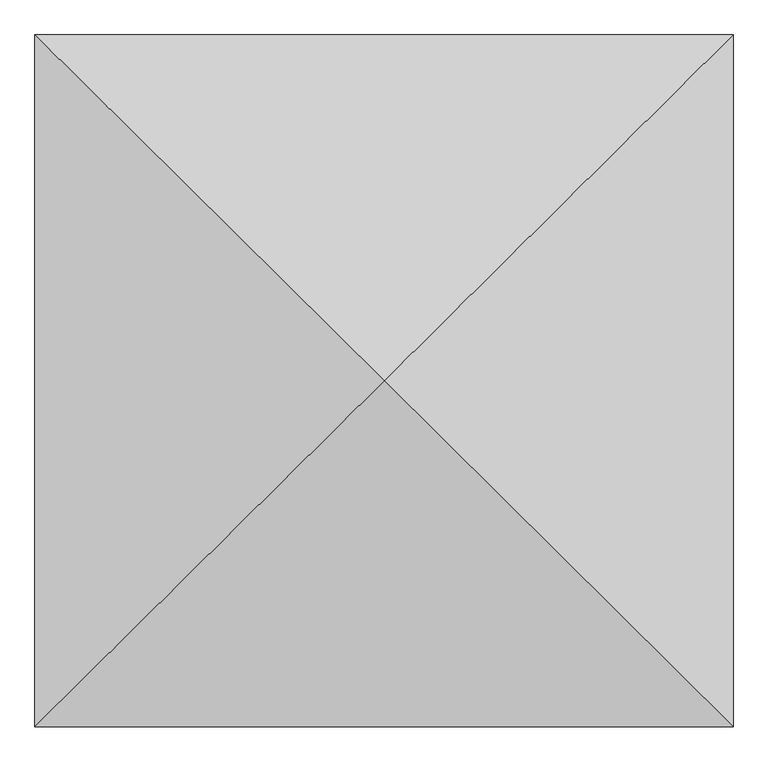
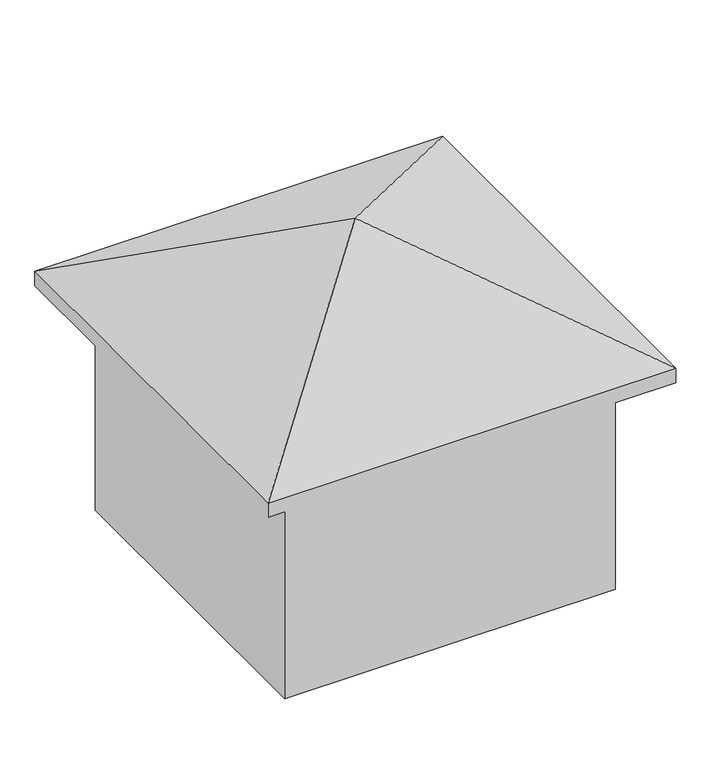
"""IFC4 building model written with IfcOpenShell, lengths in millimetres: geographic element geometry."""

from ifc_helpers import new_model, si_unit, origin, place, context, project, spatial, triangles, source, transform, mapped, element, save


def geographic_element_c013a7da(model_context):
    return source(origin(), model_context, "Body", "Tessellation", [
        triangles([(3213.9125473, 3185.7200821, 5526.4336029), (0.0, 6371.4401642, 3833.4506035), (0.0, 0.0, 3833.4506035), (6427.8250946, 6371.4401642, 3833.4506035), (6427.8250946, 0.0, 3833.4506035), (6427.8250946, 6371.4401642, 3594.7922058), (0.0, 0.0, 3594.7922058), (0.0, 6371.4401642, 3594.7922058), (6427.8250946, 0.0, 3594.7922058), (5823.2236267, 5772.1424423, 0.0), (604.6012862, 599.2977582, 0.0), (604.6012862, 5772.1424423, 0.0), (5823.2236267, 599.2977582, 0.0), (5823.2236267, 599.2977582, 3833.4506035), (604.6012862, 599.2977582, 3833.4506035), (5823.2236267, 5772.1424423, 3833.4506035), (604.6012862, 5772.1424423, 3833.4506035)], [[1, 2, 3], [4, 2, 1], [5, 1, 3], [4, 1, 5], [6, 7, 8], [7, 6, 9], [2, 7, 3], [7, 2, 8], [2, 6, 8], [6, 2, 4], [6, 5, 9], [5, 6, 4], [5, 7, 9], [7, 5, 3], [10, 11, 12], [11, 10, 13], [14, 11, 13], [11, 14, 15], [10, 14, 13], [14, 10, 16], [17, 10, 12], [10, 17, 16], [17, 11, 15], [11, 17, 12], [14, 17, 15], [17, 14, 16]]),
    ])


if __name__ == "__main__":
    model = new_model("IFC4")
    model_context = context("Model", 3, world=origin())
    ifc_project = project(units=[si_unit("LENGTHUNIT", "METRE", prefix="MILLI")], contexts=[model_context])
    site = spatial("IfcSite", under=ifc_project)
    building = spatial("IfcBuilding", under=site)
    placement = place(None, origin())
    geographic_element_shape = geographic_element_c013a7da(model_context)
    element("IfcGeographicElement", 1, at=placement, inside=building, context=model_context, shape_type="MappedRepresentation", body=[
        mapped(geographic_element_shape, transform((0.0, 0.0, 0.0), x_axis=(1.0, 0.0, 0.0), y_axis=(0.0, 1.0, 0.0), z_axis=(0.0, 0.0, 1.0))),
    ])
    save(model, "model.ifc")
